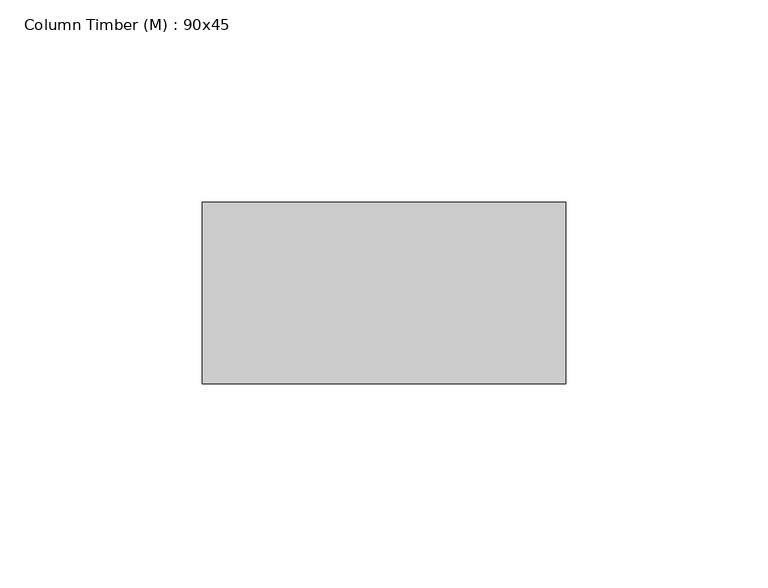
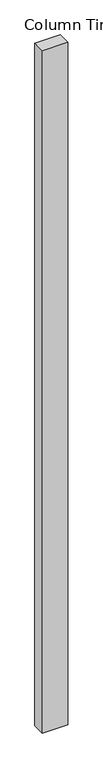
"""IFC4 building model written with IfcOpenShell, lengths in millimetres: column geometry, Column Timber (M) : 90x45."""

from ifc_helpers import new_model, si_unit, frame, origin, place, context, project, spatial, polyline, outline, extrude, source, transform, mapped, element, save


def column_timber_m_90x45_b0e4e76c(model_context):
    return source(origin(), model_context, "Body", "SweptSolid", [
        extrude(outline(polyline([(45.0, 22.5), (45.0, -22.5), (-45.0, -22.5), (-45.0, 22.5), (45.0, 22.5)])), frame((0.0, 0.0, -2500.0), z_axis=(0.0, 0.0, 1.0), x_axis=(1.0, 0.0, 0.0)), (0.0, 0.0, 1.0), 2550.0),
    ])


if __name__ == "__main__":
    model = new_model("IFC4")
    model_context = context("Model", 3, world=origin())
    ifc_project = project(units=[si_unit("LENGTHUNIT", "METRE", prefix="MILLI")], contexts=[model_context])
    site = spatial("IfcSite", under=ifc_project)
    building = spatial("IfcBuilding", under=site)
    placement = place(None, origin())
    column_timber_m_90x45_shape = column_timber_m_90x45_b0e4e76c(model_context)
    element("IfcColumn", 1, ObjectType="Column Timber (M) : 90x45", at=placement, inside=building, context=model_context, shape_type="MappedRepresentation", body=[
        mapped(column_timber_m_90x45_shape, transform((0.0, 0.0, 0.0), x_axis=(1.0, 0.0, 0.0), y_axis=(0.0, 1.0, 0.0), z_axis=(0.0, 0.0, 1.0))),
    ])
    save(model, "model.ifc")
